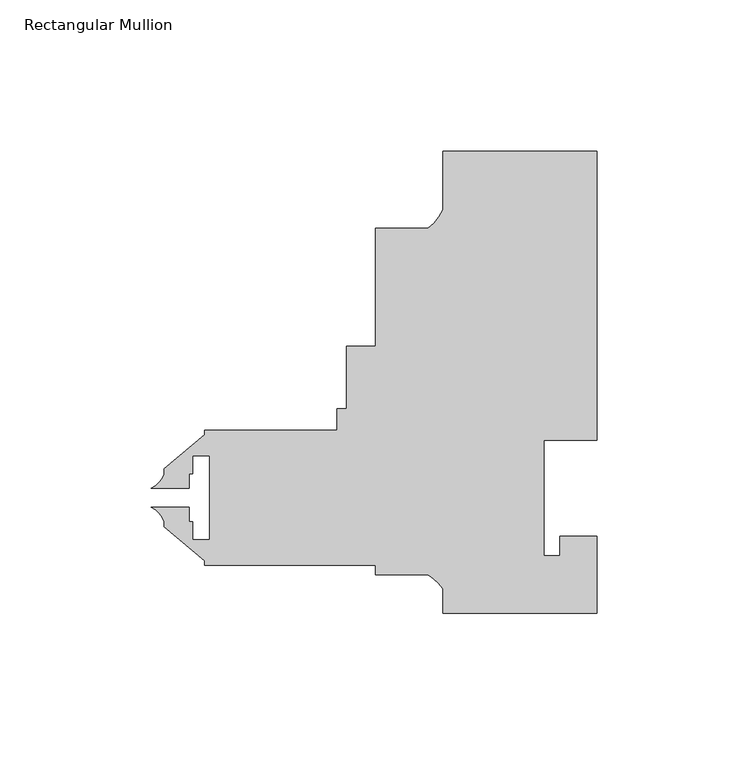
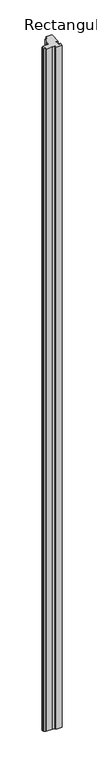
"""IFC4 building model written with IfcOpenShell, lengths in millimetres: member geometry, Rectangular Mullion."""

from ifc_helpers import new_model, si_unit, point, frame, frame_2d, origin, place, context, project, spatial, polyline, circle_curve, trimmed, segment, composite_curve, outline, extrude, source, transform, mapped, element, save


def rectangular_mullion_3066f2f8(model_context):
    return source(origin(), model_context, "Body", "SweptSolid", [
        extrude(outline(composite_curve([segment(polyline([(-25.4, 152.4), (25.4, 152.4), (25.4, 57.15), (7.9502, 57.15), (7.9502, 19.05), (13.2079898, 19.05), (13.2079898, 25.4), (25.3999898, 25.4), (25.3999898, 0.0), (-25.4000102, 0.0), (-25.4000102, 8.1515407)]), True, "CONTINUOUS"), segment(trimmed(circle_curve(frame_2d((-37.3094465, 0.1243368)), 14.3621265), [point((-25.4000102, 8.1515407))], [point((-30.3723453, 12.7))], True, "CARTESIAN"), True, "CONTINUOUS"), segment(polyline([(-30.3723453, 12.7), (-47.625, 12.7), (-47.625, 15.875), (-103.98125, 15.875), (-103.98125, 17.2691667), (-117.44325, 28.565126), (-117.44325, 30.2532603)]), True, "CONTINUOUS"), segment(trimmed(circle_curve(frame_2d((-124.8192524, 27.8631039)), 7.7535965), [point((-117.44325, 30.2532603))], [point((-121.6410584, 34.9353979))], True, "CARTESIAN"), True, "CONTINUOUS"), segment(polyline([(-121.6410584, 34.9353979), (-109.14848, 34.9353979), (-109.14848, 30.17266), (-108.01985, 30.17266), (-108.01985, 24.20366), (-102.40645, 24.20366), (-102.40645, 51.99126), (-108.01985, 51.99126), (-108.01985, 46.02226), (-109.14848, 46.02226), (-109.14848, 41.2595155), (-121.6410731, 41.2595155)]), True, "CONTINUOUS"), segment(trimmed(circle_curve(frame_2d((-124.8192524, 48.3318161)), 7.7535965), [point((-121.6410731, 41.2595155))], [point((-117.44325, 45.9416597))], True, "CARTESIAN"), True, "CONTINUOUS"), segment(polyline([(-117.44325, 45.9416597), (-117.44325, 47.629794), (-103.98125, 58.9257533), (-103.98125, 60.325), (-60.3274573, 60.325), (-60.3274573, 67.537255), (-57.1524573, 67.537255), (-57.1524573, 88.162055), (-47.625, 88.162055), (-47.625, 127.0), (-30.2934851, 127.0)]), True, "CONTINUOUS"), segment(trimmed(circle_curve(frame_2d((-39.5144624, 139.281361)), 15.3576772), [point((-30.2934851, 127.0))], [point((-25.4, 133.228246))], True, "CARTESIAN"), True, "CONTINUOUS"), segment(polyline([(-25.4, 133.228246), (-25.4, 152.4)]), True, "CONTINUOUS")], self_intersect=False)), frame((0.0, 0.0, -6180.2087064), z_axis=(0.0, 0.0, 1.0), x_axis=(1.0, 0.0, 0.0)), (0.0, 0.0, 1.0), 6180.2087064),
    ])


if __name__ == "__main__":
    model = new_model("IFC4")
    model_context = context("Model", 3, world=origin())
    ifc_project = project(units=[si_unit("LENGTHUNIT", "METRE", prefix="MILLI")], contexts=[model_context])
    site = spatial("IfcSite", under=ifc_project)
    building = spatial("IfcBuilding", under=site)
    placement = place(None, origin())
    rectangular_mullion_shape = rectangular_mullion_3066f2f8(model_context)
    element("IfcMember", 1, ObjectType="Rectangular Mullion", at=placement, inside=building, context=model_context, shape_type="MappedRepresentation", body=[
        mapped(rectangular_mullion_shape, transform((0.0, 0.0, 0.0), x_axis=(1.0, 0.0, 0.0), y_axis=(0.0, 1.0, 0.0), z_axis=(0.0, 0.0, 1.0))),
    ])
    save(model, "model.ifc")
